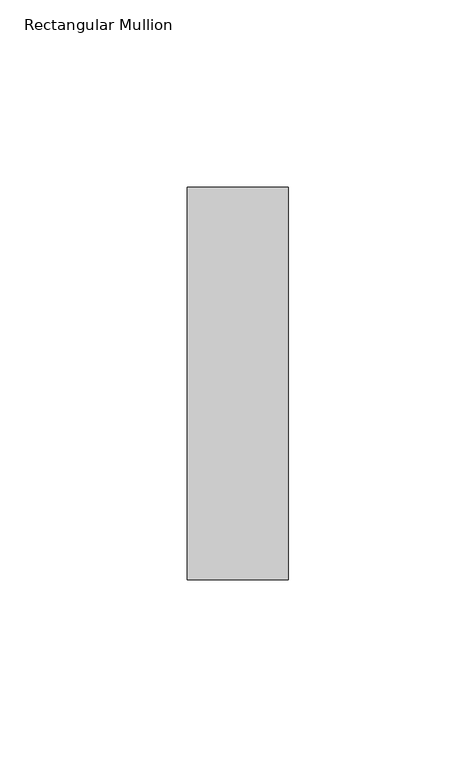
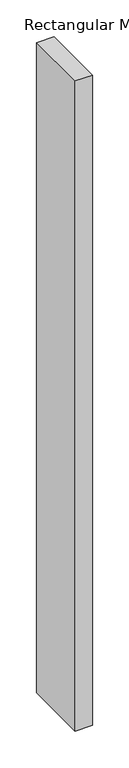
"""IFC4 building model written with IfcOpenShell, lengths in millimetres: member geometry, Rectangular Mullion."""

from ifc_helpers import new_model, si_unit, frame, origin, place, context, project, spatial, polyline, outline, extrude, source, transform, mapped, element, save


def rectangular_mullion_8188c49c(model_context):
    return source(origin(), model_context, "Body", "SweptSolid", [
        extrude(outline(polyline([(0.0, 52.3975), (0.0, -52.3975), (-27.0, -52.3975), (-27.0, 52.3975), (0.0, 52.3975)])), frame((0.0, 0.0, -1078.5), z_axis=(0.0, 0.0, 1.0), x_axis=(1.0, 0.0, 0.0)), (0.0, 0.0, 1.0), 1078.5),
    ])


if __name__ == "__main__":
    model = new_model("IFC4")
    model_context = context("Model", 3, world=origin())
    ifc_project = project(units=[si_unit("LENGTHUNIT", "METRE", prefix="MILLI")], contexts=[model_context])
    site = spatial("IfcSite", under=ifc_project)
    building = spatial("IfcBuilding", under=site)
    placement = place(None, origin())
    rectangular_mullion_shape = rectangular_mullion_8188c49c(model_context)
    element("IfcMember", 1, ObjectType="Rectangular Mullion", at=placement, inside=building, context=model_context, shape_type="MappedRepresentation", body=[
        mapped(rectangular_mullion_shape, transform((0.0, 0.0, 0.0), x_axis=(1.0, 0.0, 0.0), y_axis=(0.0, 1.0, 0.0), z_axis=(0.0, 0.0, 1.0))),
    ])
    save(model, "model.ifc")
